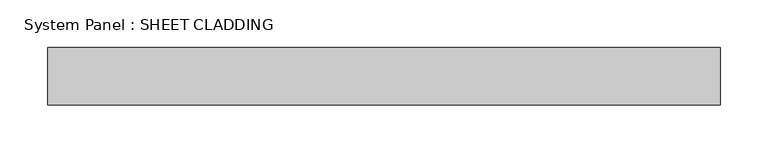
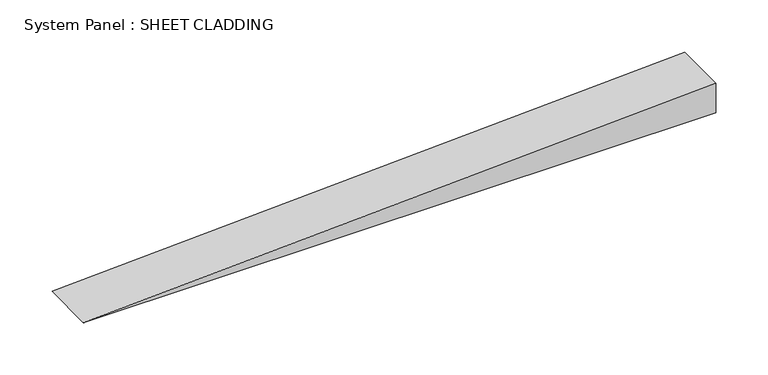
"""IFC4 building model written with IfcOpenShell, lengths in millimetres: plate geometry, System Panel : SHEET CLADDING."""

from ifc_helpers import new_model, si_unit, frame, origin, place, context, project, spatial, polyline, outline, extrude, source, transform, mapped, element, save


def system_panel_sheet_cladding_b834974d(model_context):
    return source(origin(), model_context, "Body", "SweptSolid", [
        extrude(outline(polyline([(0.0, -351.0), (0.0, 351.0), (35.1, 351.0), (0.0, -351.0)])), frame((0.0, -49.5, 0.0), z_axis=(0.0, 1.0, 0.0), x_axis=(0.0, 0.0, 1.0)), (0.0, 0.0, 1.0), 60.0),
    ])


if __name__ == "__main__":
    model = new_model("IFC4")
    model_context = context("Model", 3, world=origin())
    ifc_project = project(units=[si_unit("LENGTHUNIT", "METRE", prefix="MILLI")], contexts=[model_context])
    site = spatial("IfcSite", under=ifc_project)
    building = spatial("IfcBuilding", under=site)
    placement = place(None, origin())
    system_panel_sheet_cladding_shape = system_panel_sheet_cladding_b834974d(model_context)
    element("IfcPlate", 1, ObjectType="System Panel : SHEET CLADDING", at=placement, inside=building, context=model_context, shape_type="MappedRepresentation", body=[
        mapped(system_panel_sheet_cladding_shape, transform((0.0, 0.0, 0.0), x_axis=(1.0, 0.0, 0.0), y_axis=(0.0, 1.0, 0.0), z_axis=(0.0, 0.0, 1.0))),
    ])
    save(model, "model.ifc")
